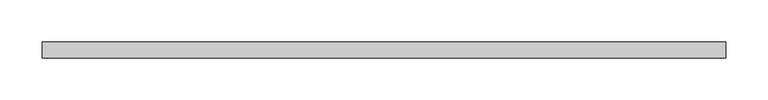
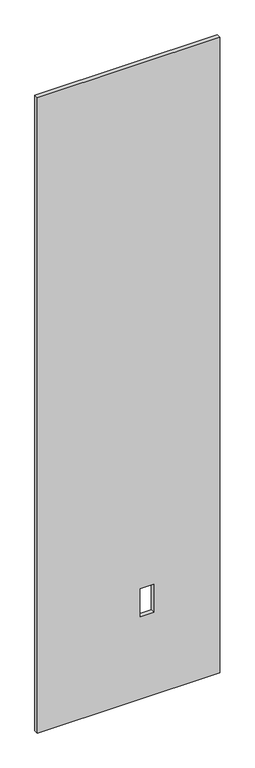
"""IFC4 building model written with IfcOpenShell, lengths in millimetres: proxy geometry."""

from ifc_helpers import new_model, si_unit, frame, origin, place, context, project, spatial, polyline, outline, extrude, source, transform, mapped, element, save


def specialty_equipment_13bf7ec8(model_context):
    return source(origin(), model_context, "Body", "SweptSolid", [
        extrude(outline(polyline([(2999.5368001, 407.1249464), (2999.5368001, -407.1249464), (3.175, -407.1249464), (3.175, 407.1249464), (2999.5368001, 407.1249464)]), holes=[polyline([(522.478, 112.8268), (391.922, 112.8268), (391.922, 51.3588), (522.478, 51.3588), (522.478, 112.8268)])]), frame((0.0, -9.525, 0.0), z_axis=(0.0, 1.0, 0.0), x_axis=(0.0, 0.0, 1.0)), (0.0, 0.0, 1.0), 19.05),
    ])


if __name__ == "__main__":
    model = new_model("IFC4")
    model_context = context("Model", 3, world=origin())
    ifc_project = project(units=[si_unit("LENGTHUNIT", "METRE", prefix="MILLI")], contexts=[model_context])
    site = spatial("IfcSite", under=ifc_project)
    building = spatial("IfcBuilding", under=site)
    placement = place(None, origin())
    specialty_equipment_shape = specialty_equipment_13bf7ec8(model_context)
    element("IfcBuildingElementProxy", 1, Name="Specialty Equipment", at=placement, inside=building, context=model_context, shape_type="MappedRepresentation", body=[
        mapped(specialty_equipment_shape, transform((0.0, 0.0, 0.0), x_axis=(1.0, 0.0, 0.0), y_axis=(0.0, 1.0, 0.0), z_axis=(0.0, 0.0, 1.0))),
    ])
    save(model, "model.ifc")
